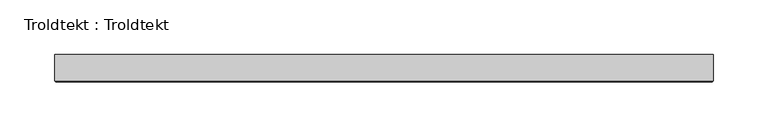
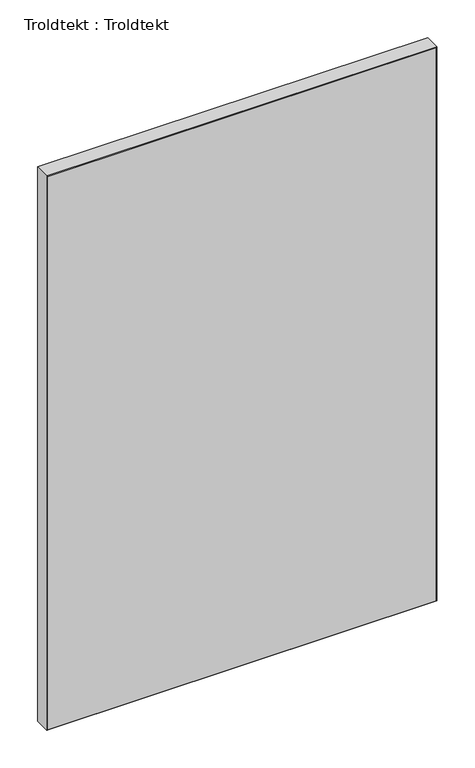
"""IFC4 building model written with IfcOpenShell, lengths in millimetres: proxy geometry, Troldtekt : Troldtekt."""

from ifc_helpers import new_model, si_unit, origin, place, context, project, spatial, faceted_brep, source, transform, mapped, element, save


def troldtekt_troldtekt_7855e2f3(model_context):
    return source(origin(), model_context, "Body", "Brep", [
        faceted_brep([(-300.0, 12.5, 900.0), (-300.0, -11.495044, 900.0), (300.0, -11.495044, 900.0), (300.0, 12.5, 900.0), (300.0, 12.5, 0.0), (300.0, -11.495044, 0.0), (-300.0, -11.495044, 0.0), (-300.0, 12.5, 0.0), (-298.995044, -12.5, 1.004956), (298.995044, -12.5, 1.004956), (298.995044, -12.5, 898.995044), (-298.995044, -12.5, 898.995044)], [[[0, 1, 2, 3]], [[4, 5, 6, 7]], [[8, 9, 10, 11]], [[7, 6, 1, 0]], [[3, 4, 7, 0]], [[3, 2, 5, 4]], [[8, 11, 1, 6]], [[6, 5, 9, 8]], [[5, 2, 10, 9]], [[2, 1, 11, 10]]]),
    ])


if __name__ == "__main__":
    model = new_model("IFC4")
    model_context = context("Model", 3, world=origin())
    ifc_project = project(units=[si_unit("LENGTHUNIT", "METRE", prefix="MILLI")], contexts=[model_context])
    site = spatial("IfcSite", under=ifc_project)
    building = spatial("IfcBuilding", under=site)
    placement = place(None, origin())
    troldtekt_troldtekt_shape = troldtekt_troldtekt_7855e2f3(model_context)
    element("IfcBuildingElementProxy", 1, Name="Troldtekt : Troldtekt", ObjectType="Troldtekt : Troldtekt", at=placement, inside=building, context=model_context, shape_type="MappedRepresentation", body=[
        mapped(troldtekt_troldtekt_shape, transform((0.0, 0.0, 0.0), x_axis=(1.0, 0.0, 0.0), y_axis=(0.0, 1.0, 0.0), z_axis=(0.0, 0.0, 1.0))),
    ])
    save(model, "model.ifc")
